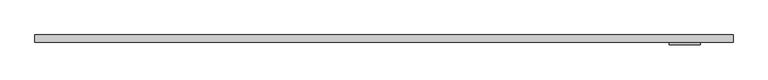
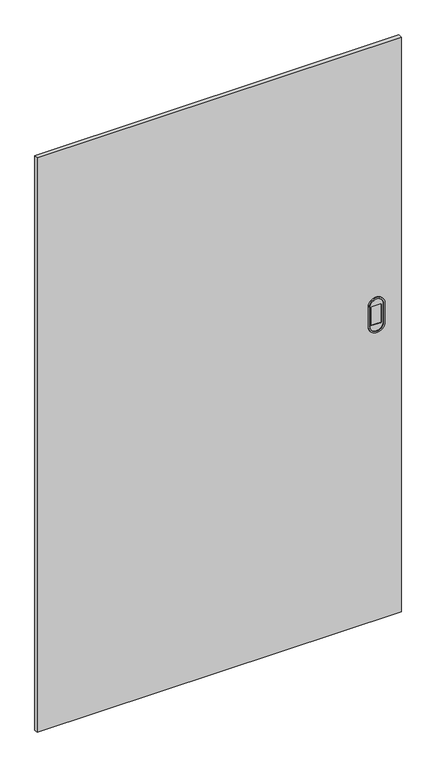
"""IFC4 building model written with IfcOpenShell, lengths in millimetres: furniture geometry."""

from ifc_helpers import new_model, si_unit, point, frame, frame_2d, origin, place, context, project, spatial, polyline, circle_curve, trimmed, segment, composite_curve, outline, extrude, source, transform, mapped, element, save


def furniture_1e442eae(model_context):
    return source(origin(), model_context, "Body", "SweptSolid", [
        extrude(outline(polyline([(1219.2, -50.8000015), (0.0, -50.8000015), (0.0, -38.1), (1219.2, -38.1), (1219.2, -50.8000015)])), frame((0.0, 0.0, 139.700003), z_axis=(0.0, 0.0, 1.0), x_axis=(1.0, 0.0, 0.0)), (0.0, 0.0, 1.0), 2031.999997),
        extrude(outline(composite_curve([segment(trimmed(circle_curve(frame_2d((1255.1144752, 1134.8720078)), 22.1741981), [point((1255.1144752, 1157.0462058))], [point((1255.1144752, 1112.6978097))], False, "CARTESIAN"), True, "CONTINUOUS"), segment(polyline([(1255.1144752, 1112.6978097), (1186.2082969, 1112.6978097)]), True, "CONTINUOUS"), segment(trimmed(circle_curve(frame_2d((1186.2082969, 1134.8720078)), 22.1741981), [point((1186.2082969, 1112.6978097))], [point((1186.2082969, 1157.0462058))], False, "CARTESIAN"), True, "CONTINUOUS"), segment(polyline([(1186.2082969, 1157.0462058), (1255.1144752, 1157.0462058)]), True, "CONTINUOUS")], self_intersect=False), holes=[composite_curve([segment(trimmed(circle_curve(frame_2d((1250.9324102, 1149.4770118)), 2.54), [point((1253.4724102, 1149.4770118))], [point((1250.9324102, 1152.0170118))], True, "CARTESIAN"), True, "CONTINUOUS"), segment(polyline([(1250.9324102, 1152.0170118), (1190.3903619, 1152.0170118)]), True, "CONTINUOUS"), segment(trimmed(circle_curve(frame_2d((1190.3903619, 1149.4770118)), 2.54), [point((1190.3903619, 1152.0170118))], [point((1187.8503619, 1149.4770118))], True, "CARTESIAN"), True, "CONTINUOUS"), segment(polyline([(1187.8503619, 1149.4770118), (1187.8503619, 1120.2670082)]), True, "CONTINUOUS"), segment(trimmed(circle_curve(frame_2d((1190.3903619, 1120.2670082)), 2.54), [point((1187.8503619, 1120.2670082))], [point((1190.3903619, 1117.7270082))], True, "CARTESIAN"), True, "CONTINUOUS"), segment(polyline([(1190.3903619, 1117.7270082), (1250.9324102, 1117.7270082)]), True, "CONTINUOUS"), segment(trimmed(circle_curve(frame_2d((1250.9324102, 1120.2670082)), 2.54), [point((1250.9324102, 1117.7270082))], [point((1253.4724102, 1120.2670082))], True, "CARTESIAN"), True, "CONTINUOUS"), segment(polyline([(1253.4724102, 1120.2670082), (1253.4724102, 1149.4770118)]), True, "CONTINUOUS")], self_intersect=False)]), frame((0.0, -52.8320015, 0.0), z_axis=(0.0, 1.0, 0.0), x_axis=(0.0, 0.0, 1.0)), (0.0, 0.0, 1.0), 2.032),
        extrude(outline(composite_curve([segment(trimmed(circle_curve(frame_2d((1255.1144752, 1134.8720078)), 27.2541981), [point((1255.1144752, 1162.1262058))], [point((1255.1144752, 1107.6178097))], False, "CARTESIAN"), True, "CONTINUOUS"), segment(polyline([(1255.1144752, 1107.6178097), (1186.2082969, 1107.6178097)]), True, "CONTINUOUS"), segment(trimmed(circle_curve(frame_2d((1186.2082969, 1134.8720078)), 27.2541981), [point((1186.2082969, 1107.6178097))], [point((1186.2082969, 1162.1262058))], False, "CARTESIAN"), True, "CONTINUOUS"), segment(polyline([(1186.2082969, 1162.1262058), (1255.1144752, 1162.1262058)]), True, "CONTINUOUS")], self_intersect=False), holes=[composite_curve([segment(polyline([(1255.1144752, 1157.0462058), (1186.2082969, 1157.0462058)]), True, "CONTINUOUS"), segment(trimmed(circle_curve(frame_2d((1186.2082969, 1134.8720078)), 22.1741981), [point((1186.2082969, 1157.0462058))], [point((1186.2082969, 1112.6978097))], True, "CARTESIAN"), True, "CONTINUOUS"), segment(polyline([(1186.2082969, 1112.6978097), (1255.1144752, 1112.6978097)]), True, "CONTINUOUS"), segment(trimmed(circle_curve(frame_2d((1255.1144752, 1134.8720078)), 22.1741981), [point((1255.1144752, 1112.6978097))], [point((1255.1144752, 1157.0462058))], True, "CARTESIAN"), True, "CONTINUOUS")], self_intersect=False)]), frame((0.0, -55.1180015, 0.0), z_axis=(0.0, 1.0, 0.0), x_axis=(0.0, 0.0, 1.0)), (0.0, 0.0, 1.0), 4.318),
    ])


if __name__ == "__main__":
    model = new_model("IFC4")
    model_context = context("Model", 3, world=origin())
    ifc_project = project(units=[si_unit("LENGTHUNIT", "METRE", prefix="MILLI")], contexts=[model_context])
    site = spatial("IfcSite", under=ifc_project)
    building = spatial("IfcBuilding", under=site)
    placement = place(None, origin())
    furniture_shape = furniture_1e442eae(model_context)
    element("IfcFurniture", 1, at=placement, inside=building, context=model_context, shape_type="MappedRepresentation", body=[
        mapped(furniture_shape, transform((0.0, 0.0, 0.0), x_axis=(1.0, 0.0, 0.0), y_axis=(0.0, 1.0, 0.0), z_axis=(0.0, 0.0, 1.0))),
    ])
    save(model, "model.ifc")
